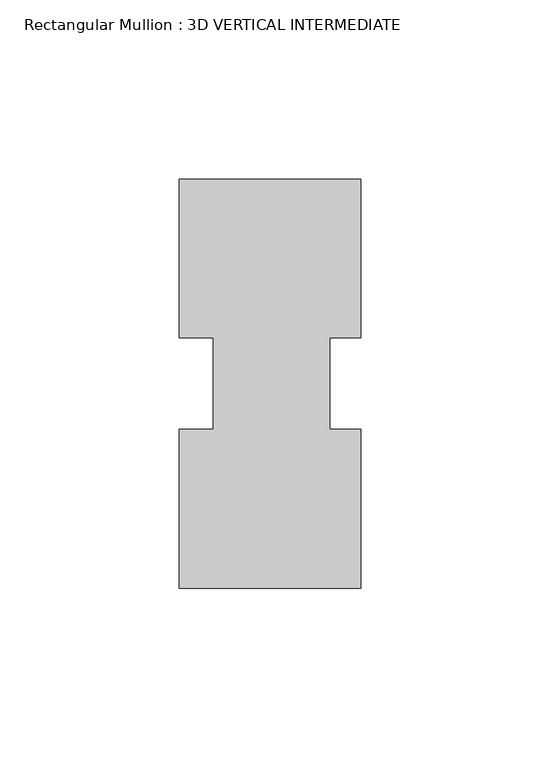
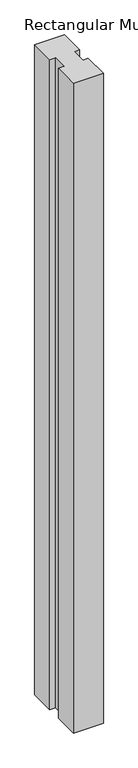
"""IFC4 building model written with IfcOpenShell, lengths in millimetres: member geometry, Rectangular Mullion : 3D VERTICAL INTERMEDIATE."""

import ifcopenshell
import ifcopenshell.guid

model = None  # the IFC model being written
_history = None  # IfcOwnerHistory: only IFC2X3 demands one
_inside = {}  # id of a spatial element -> (the spatial element, [elements in it])
_under = {}  # id of a project, library or spatial element -> (it, [spatial elements below it])
_declared = {}  # id of a project -> (the project, [libraries it declares])
_typed = {}  # id of a type object -> (the type object, [elements of that type])
_made_of = {}  # id of a material, layer set ... -> (it, [elements and type objects made of it])


def new_model(schema):
    """Start an empty IFC model of exactly this schema.

    Asked for "IFC4X3", IfcOpenShell would pick the latest addendum, in which some entities
    have other attributes; the version numbers below select the first issue.
    IFC2X3 requires an IfcOwnerHistory on every rooted entity: one is made here for all.
    """
    global model, _history
    if schema == "IFC4X3":
        model = ifcopenshell.file(schema_version=(4, 3, 0, 0))
    else:
        model = ifcopenshell.file(schema=schema)
    _inside.clear()
    _under.clear()
    _declared.clear()
    _typed.clear()
    _made_of.clear()
    _history = None
    if model.schema == "IFC2X3":
        org = make("IfcOrganization", Name="unknown")
        user = make(
            "IfcPersonAndOrganization",
            ThePerson=make("IfcPerson", FamilyName="unknown"),
            TheOrganization=org,
        )
        app = make(
            "IfcApplication",
            ApplicationDeveloper=org,
            Version="unknown",
            ApplicationFullName="unknown",
            ApplicationIdentifier="unknown",
        )
        _history = make(
            "IfcOwnerHistory",
            OwningUser=user,
            OwningApplication=app,
            ChangeAction="ADDED",
            CreationDate=0,
        )
    return model


def make(cls, **values):
    """One entity of the class cls with the attributes given. An attribute that is None is left unset."""
    return model.create_entity(
        cls, **{name: value for name, value in values.items() if value is not None}
    )


def rooted(cls, **values):
    """An entity with a GlobalId (a new one), such as an element, a storey or a relation."""
    return make(cls, GlobalId=ifcopenshell.guid.new(), OwnerHistory=_history, **values)


def si_unit(unit_type, name, prefix=None):
    """IfcSIUnit, for example si_unit("LENGTHUNIT", "METRE", prefix="MILLI")."""
    return make("IfcSIUnit", UnitType=unit_type, Prefix=prefix, Name=name)


def assignment(units):
    """IfcUnitAssignment: the units of a project."""
    return None if units is None else make("IfcUnitAssignment", Units=units)


def point(xyz):
    """IfcCartesianPoint."""
    return None if xyz is None else make("IfcCartesianPoint", Coordinates=xyz)


def direction(xyz):
    """IfcDirection."""
    return None if xyz is None else make("IfcDirection", DirectionRatios=xyz)


def frame(location, z_axis=None, x_axis=None):
    """IfcAxis2Placement3D, a coordinate frame: its origin and axes. An axis left out is left unset."""
    return make(
        "IfcAxis2Placement3D",
        Location=point(location),
        Axis=direction(z_axis),
        RefDirection=direction(x_axis),
    )


def origin():
    """The frame at (0, 0, 0) with its axes left unset."""
    return frame((0.0, 0.0, 0.0))


def place(relative_to, where):
    """IfcLocalPlacement: puts the frame where relative to a parent placement (None: the world)."""
    return make(
        "IfcLocalPlacement", PlacementRelTo=relative_to, RelativePlacement=where
    )


def context(
    kind, dimensions, precision=None, world=None, true_north=None, identifier=None
):
    """IfcGeometricRepresentationContext, for example the 3D "Model" context."""
    return make(
        "IfcGeometricRepresentationContext",
        ContextIdentifier=identifier,
        ContextType=kind,
        CoordinateSpaceDimension=dimensions,
        Precision=precision,
        WorldCoordinateSystem=world,
        TrueNorth=true_north,
    )


def project(units=None, contexts=None):
    """IfcProject with its units and contexts."""
    return rooted(
        "IfcProject",
        Name="project",
        RepresentationContexts=contexts,
        UnitsInContext=assignment(units),
    )


def spatial(cls, under=None, at=None, **own):
    """A site, building, storey or space (cls), placed at a placement, below another one or the project."""
    s = rooted(cls, ObjectPlacement=at, **own)
    if under is not None:
        _under.setdefault(under.id(), (under, []))[1].append(s)
    return s


def polyline(points):
    """IfcPolyline through the points."""
    return make("IfcPolyline", Points=[point(p) for p in points])


def outline(outer, holes=None, kind="AREA"):
    """IfcArbitraryClosedProfileDef: a profile drawn as a closed curve; with holes, ...WithVoids."""
    if holes is None:
        return make("IfcArbitraryClosedProfileDef", ProfileType=kind, OuterCurve=outer)
    return make(
        "IfcArbitraryProfileDefWithVoids",
        ProfileType=kind,
        OuterCurve=outer,
        InnerCurves=holes,
    )


def extrude(swept, where, along, depth):
    """IfcExtrudedAreaSolid: the profile swept, set in the frame where, extruded along a direction by depth."""
    return make(
        "IfcExtrudedAreaSolid",
        SweptArea=swept,
        Position=where,
        ExtrudedDirection=direction(along),
        Depth=depth,
    )


def shape(context_of_items, identifier, shape_type, items):
    """IfcShapeRepresentation: the items that make up one representation, for example the "Body"."""
    return make(
        "IfcShapeRepresentation",
        ContextOfItems=context_of_items,
        RepresentationIdentifier=identifier,
        RepresentationType=shape_type,
        Items=items,
    )


def source(mapping_origin, context_of_items, identifier, shape_type, items):
    """IfcRepresentationMap: a shape defined once, which mapped items show again and again."""
    return make(
        "IfcRepresentationMap",
        MappingOrigin=mapping_origin,
        MappedRepresentation=shape(context_of_items, identifier, shape_type, items),
    )


def transform(
    local_origin,
    x_axis=None,
    y_axis=None,
    z_axis=None,
    scale=None,
    scale2=None,
    scale3=None,
    uniform=True,
):
    """IfcCartesianTransformationOperator3D, or its non-uniform kind. x_axis, y_axis, z_axis: its Axis1, 2, 3."""
    if uniform:
        return make(
            "IfcCartesianTransformationOperator3D",
            Axis1=direction(x_axis),
            Axis2=direction(y_axis),
            LocalOrigin=point(local_origin),
            Scale=scale,
            Axis3=direction(z_axis),
        )
    return make(
        "IfcCartesianTransformationOperator3DnonUniform",
        Axis1=direction(x_axis),
        Axis2=direction(y_axis),
        LocalOrigin=point(local_origin),
        Scale=scale,
        Axis3=direction(z_axis),
        Scale2=scale2,
        Scale3=scale3,
    )


def mapped(mapping_source, mapping_target):
    """IfcMappedItem: shows the shape of a source again, moved by a transform."""
    return make(
        "IfcMappedItem", MappingSource=mapping_source, MappingTarget=mapping_target
    )


def made_of(thing, what):
    """Note that an element or type object is made of a material, layer set ...; save() writes the relation."""
    if what is not None:
        _made_of.setdefault(what.id(), (what, []))[1].append(thing)
    return thing


def element(
    cls,
    number,
    at=None,
    inside=None,
    cuts=None,
    type_object=None,
    material=None,
    context=None,
    identifier="Body",
    shape_type=None,
    held_by="IfcProductDefinitionShape",
    body=None,
    shapes=None,
    **own,
):
    """One element of the class cls, such as IfcWall. Its Tag is "e" and its number.

    at: its placement. inside: the storey or other place that contains it. cuts: it is an
    opening in that element (IfcRelVoidsElement). A single representation is given by context,
    identifier, shape_type and body (its items); several are given by shapes. held_by: the class
    of the entity that holds the representations. save() writes the other relations.
    """
    e = rooted(cls, Tag="e%d" % number, ObjectPlacement=at, **own)
    if body is not None:
        shapes = [shape(context, identifier, shape_type, body)]
    if shapes is not None:
        e.Representation = make(held_by, Representations=shapes)
    if inside is not None:
        _inside.setdefault(inside.id(), (inside, []))[1].append(e)
    if cuts is not None:
        rooted(
            "IfcRelVoidsElement", RelatingBuildingElement=cuts, RelatedOpeningElement=e
        )
    if type_object is not None:
        _typed.setdefault(type_object.id(), (type_object, []))[1].append(e)
    return made_of(e, material)


def aggregate(whole, parts):
    """IfcRelAggregates: a whole, such as a stair, and the parts it consists of."""
    return rooted("IfcRelAggregates", RelatingObject=whole, RelatedObjects=parts)


def save(model, path):
    """Write the relations noted so far, then the file.

    IfcRelAggregates (storeys below a building ...), IfcRelContainedInSpatialStructure (elements
    in a storey), IfcRelDefinesByType, IfcRelAssociatesMaterial and IfcRelDeclares: one each for
    every whole, place, type object, material and project.
    """
    for whole, parts in _under.values():
        aggregate(whole, parts)
    for where, things in _inside.values():
        rooted(
            "IfcRelContainedInSpatialStructure",
            RelatedElements=things,
            RelatingStructure=where,
        )
    for kind, things in _typed.values():
        rooted("IfcRelDefinesByType", RelatedObjects=things, RelatingType=kind)
    for what, things in _made_of.values():
        rooted("IfcRelAssociatesMaterial", RelatedObjects=things, RelatingMaterial=what)
    for by, libraries in _declared.values():
        rooted("IfcRelDeclares", RelatingContext=by, RelatedDefinitions=libraries)
    model.write(path)


def rectangular_mullion_3d_vertical_intermediate_f02a248d(model_context):
    return source(origin(), model_context, "Body", "SweptSolid", [
        extrude(outline(polyline([(25.4, 57.1500444), (25.4, 12.7938544), (16.66875, 12.7938544), (16.66875, -12.693844), (25.4, -12.693844), (25.4, -57.1499556), (-25.4, -57.149854), (-25.4, -12.693844), (-15.875, -12.693844), (-15.875, 12.7938544), (-25.4, 12.7938544), (-25.4, 57.150146), (25.4, 57.1500444)])), frame((0.0, 0.0, -1168.4), z_axis=(0.0, 0.0, 1.0), x_axis=(1.0, 0.0, 0.0)), (0.0, 0.0, 1.0), 1168.4),
    ])


if __name__ == "__main__":
    model = new_model("IFC4")
    model_context = context("Model", 3, world=origin())
    ifc_project = project(units=[si_unit("LENGTHUNIT", "METRE", prefix="MILLI")], contexts=[model_context])
    site = spatial("IfcSite", under=ifc_project)
    building = spatial("IfcBuilding", under=site)
    placement = place(None, origin())
    rectangular_mullion_3d_vertical_intermediate_shape = rectangular_mullion_3d_vertical_intermediate_f02a248d(model_context)
    element("IfcMember", 1, ObjectType="Rectangular Mullion : 3D VERTICAL INTERMEDIATE", at=placement, inside=building, context=model_context, shape_type="MappedRepresentation", body=[
        mapped(rectangular_mullion_3d_vertical_intermediate_shape, transform((0.0, 0.0, 0.0), x_axis=(1.0, 0.0, 0.0), y_axis=(0.0, 1.0, 0.0), z_axis=(0.0, 0.0, 1.0))),
    ])
    save(model, "model.ifc")
